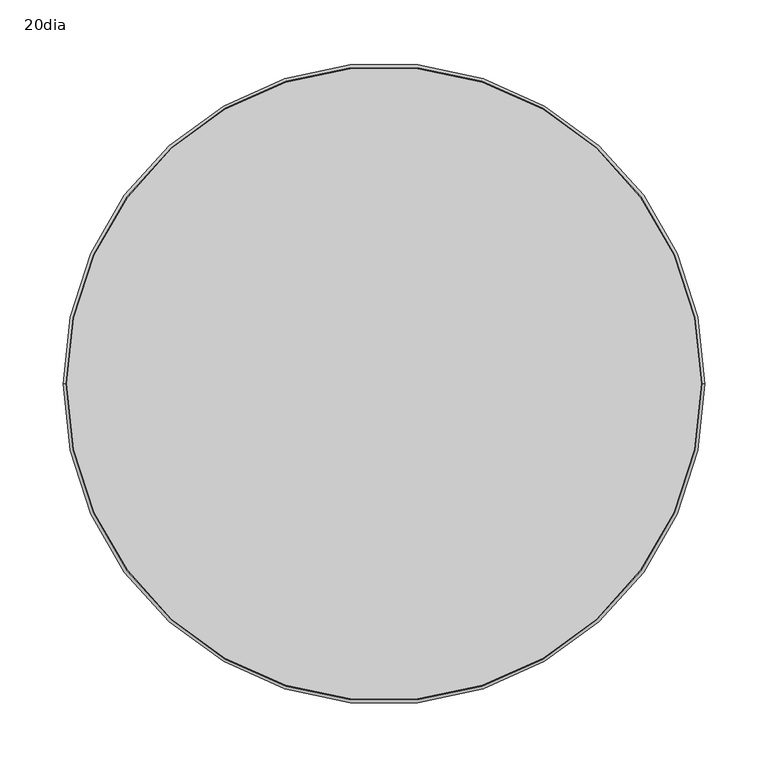
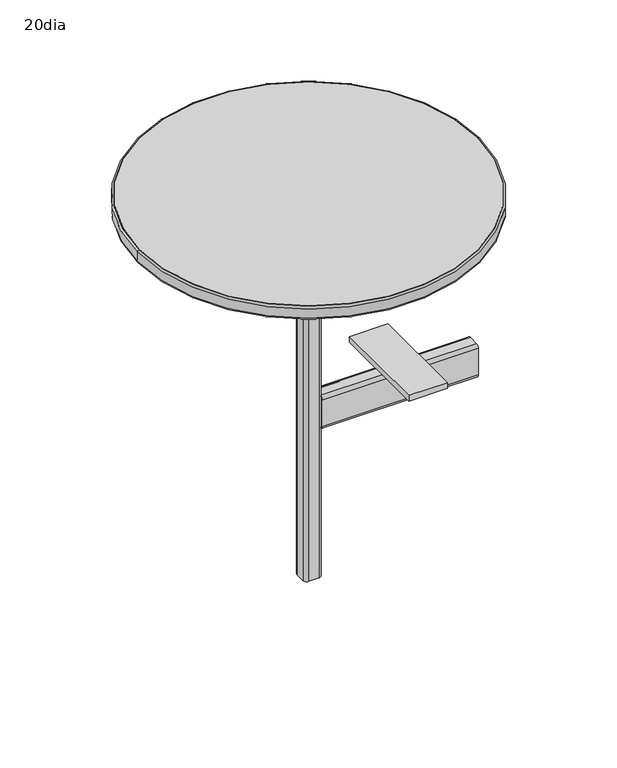
"""IFC4 building model written with IfcOpenShell, lengths in millimetres: furniture geometry, 20dia."""

from ifc_helpers import new_model, si_unit, point, frame, frame_2d, origin, place, context, project, spatial, polyline, circle_curve, ellipse_curve, trimmed, segment, composite_curve, outline, extrude, source, transform, mapped, element, save
from ifc_brep_helpers import plane_surface, cylinder_surface, revolved_surface, advanced_brep


def furniture_20dia_599f3570(model_context):
    return source(origin(), model_context, "Body", "SolidModel", [
        extrude(outline(polyline([(415.9369179, -177.7985466), (415.9369179, -330.198377), (358.7869905, -330.198377), (358.7869905, -177.7985466), (415.9369179, -177.7985466)])), frame((0.0, 0.0, 295.7108746), z_axis=(0.0, 0.0, 1.0), x_axis=(1.0, 0.0, 0.0)), (0.0, 0.0, 1.0), 9.0891254),
        extrude(outline(composite_curve([segment(trimmed(circle_curve(frame_2d((-245.8642477, 291.145125)), 4.5657496), [point((-245.8642477, 295.7108746))], [point((-241.2984982, 291.145125))], False, "CARTESIAN"), True, "CONTINUOUS"), segment(polyline([(-241.2984982, 291.145125), (-241.2984982, 249.4828746)]), True, "CONTINUOUS"), segment(trimmed(circle_curve(frame_2d((-245.8704982, 249.4828746)), 4.572), [point((-241.2984982, 249.4828746))], [point((-245.8704982, 244.9108746))], False, "CARTESIAN"), True, "CONTINUOUS"), segment(polyline([(-245.8704982, 244.9108746), (-262.1264739, 244.9108746)]), True, "CONTINUOUS"), segment(trimmed(circle_curve(frame_2d((-262.1264739, 249.4828746)), 4.572), [point((-262.1264739, 244.9108746))], [point((-266.6984739, 249.4828746))], False, "CARTESIAN"), True, "CONTINUOUS"), segment(polyline([(-266.6984739, 249.4828746), (-266.6984739, 291.1388746)]), True, "CONTINUOUS"), segment(trimmed(circle_curve(frame_2d((-262.1264739, 291.1388746)), 4.572), [point((-266.6984739, 291.1388746))], [point((-262.1264739, 295.7108746))], False, "CARTESIAN"), True, "CONTINUOUS"), segment(polyline([(-262.1264739, 295.7108746), (-245.8642477, 295.7108746)]), True, "CONTINUOUS")], self_intersect=False), holes=[composite_curve([segment(trimmed(circle_curve(frame_2d((-262.3205046, 291.3334382)), 2.2692075), [point((-262.3205046, 293.6026457))], [point((-264.5897121, 291.3334382))], True, "CARTESIAN"), True, "CONTINUOUS"), segment(polyline([(-264.5897121, 291.3334382), (-264.5897121, 249.3718801)]), True, "CONTINUOUS"), segment(trimmed(circle_curve(frame_2d((-262.2370808, 249.3718801)), 2.3526314), [point((-264.5897121, 249.3718801))], [point((-262.2370808, 247.0192488))], True, "CARTESIAN"), True, "CONTINUOUS"), segment(polyline([(-262.2370808, 247.0192488), (-245.6129936, 247.0192488)]), True, "CONTINUOUS"), segment(trimmed(circle_curve(frame_2d((-245.6129936, 249.2250067)), 2.2057579), [point((-245.6129936, 247.0192488))], [point((-243.4072357, 249.2250067))], True, "CARTESIAN"), True, "CONTINUOUS"), segment(polyline([(-243.4072357, 249.2250067), (-243.4072357, 291.1954717)]), True, "CONTINUOUS"), segment(trimmed(circle_curve(frame_2d((-245.8144097, 291.1954717)), 2.407174), [point((-243.4072357, 291.1954717))], [point((-245.8144097, 293.6026457))], True, "CARTESIAN"), True, "CONTINUOUS"), segment(polyline([(-245.8144097, 293.6026457), (-262.3205046, 293.6026457)]), True, "CONTINUOUS")], self_intersect=False)]), frame((266.7120874, 0.0, 0.0), z_axis=(1.0, 0.0, 0.0), x_axis=(0.0, 1.0, 0.0)), (0.0, 0.0, 1.0), 231.7747335),
        extrude(outline(composite_curve([segment(trimmed(circle_curve(frame_2d((254.0, -254.0)), 88.9), [point((165.1, -254.0))], [point((342.9, -254.0))], False, "CARTESIAN"), True, "CONTINUOUS"), segment(trimmed(circle_curve(frame_2d((254.0, -254.0)), 88.9), [point((342.9, -254.0))], [point((165.1, -254.0))], False, "CARTESIAN"), True, "CONTINUOUS")], self_intersect=False)), frame((0.0, 0.0, 588.0648319), z_axis=(0.0, 0.0, 1.0), x_axis=(1.0, 0.0, 0.0)), (0.0, 0.0, 1.0), 3.02696),
        extrude(outline(composite_curve([segment(polyline([(246.3921359, -241.2984739), (261.6320874, -241.2984739)]), True, "CONTINUOUS"), segment(trimmed(circle_curve(frame_2d((261.6320874, -246.3784739)), 5.08), [point((261.6320874, -241.2984739))], [point((266.7120874, -246.3784739))], False, "CARTESIAN"), True, "CONTINUOUS"), segment(polyline([(266.7120874, -246.3784739), (266.7120874, -261.7262697)]), True, "CONTINUOUS"), segment(trimmed(circle_curve(frame_2d((261.7399317, -261.7262697)), 4.9721558), [point((266.7120874, -261.7262697))], [point((261.7399317, -266.6984255))], False, "CARTESIAN"), True, "CONTINUOUS"), segment(polyline([(261.7399317, -266.6984255), (246.3921359, -266.6984255)]), True, "CONTINUOUS"), segment(trimmed(circle_curve(frame_2d((246.3921359, -261.6184255)), 5.08), [point((246.3921359, -266.6984255))], [point((241.3121359, -261.6184255))], False, "CARTESIAN"), True, "CONTINUOUS"), segment(polyline([(241.3121359, -261.6184255), (241.3121359, -246.3784739)]), True, "CONTINUOUS"), segment(trimmed(circle_curve(frame_2d((246.3921359, -246.3784739)), 5.08), [point((241.3121359, -246.3784739))], [point((246.3921359, -241.2984739))], False, "CARTESIAN"), True, "CONTINUOUS")], self_intersect=False)), frame((0.0, 0.0, 14.0247041), z_axis=(0.0, 0.0, 1.0), x_axis=(1.0, 0.0, 0.0)), (0.0, 0.0, 1.0), 574.0401278),
        advanced_brep(
        [(507.9628899, -254.0, 594.0615476), (0.0007994, -254.0, 594.0615476), (2.1007439, -254.0, 591.0917919), (505.8629454, -254.0, 591.0917919), (507.9628899, -254.0, 608.5920076), (0.0007994, -254.0, 608.5920076), (505.8629696, -254.0, 611.5617876), (2.1007196, -254.0, 611.5617876), (504.9637028, -254.0, 591.0917919), (2.9999865, -254.0, 591.0917919), (2.9999865, -254.0, 611.5617876), (504.9637028, -254.0, 611.5617876)],
        [
            (0, 1, circle_curve(frame((253.9818446, -254.0, 594.0615476), z_axis=(0.0, 0.0, -1.0), x_axis=(-1.0, 0.0, 0.0)), 253.9810452)),
            (1, 2, circle_curve(frame((3.150696, -254.0, 594.0615476), z_axis=(0.0, -1.0, 0.0), x_axis=(1.0, 0.0, 0.0)), 3.1498966)),
            (2, 3, circle_curve(frame((253.9818446, -254.0, 591.0917919), z_axis=(0.0, 0.0, 1.0), x_axis=(-1.0, 0.0, 0.0)), 251.8811008)),
            (3, 0, circle_curve(frame((504.8129933, -254.0, 594.0615476), z_axis=(0.0, -1.0, 0.0), x_axis=(-1.0, 0.0, 0.0)), 3.1498966)),
            (4, 5, circle_curve(frame((253.9818446, -254.0, 608.5920076), z_axis=(0.0, 0.0, -1.0), x_axis=(-1.0, 0.0, 0.0)), 253.9810452)),
            (5, 1),
            (0, 4),
            (6, 7, circle_curve(frame((253.9818446, -254.0, 611.5617876), z_axis=(0.0, 0.0, -1.0), x_axis=(-1.0, 0.0, 0.0)), 251.881125)),
            (7, 5, circle_curve(frame((3.1507423, -254.0, 608.5920076), z_axis=(0.0, -1.0, 0.0), x_axis=(1.0, 0.0, 0.0)), 3.149943)),
            (4, 6, circle_curve(frame((504.8129469, -254.0, 608.5920076), z_axis=(0.0, -1.0, 0.0), x_axis=(-1.0, 0.0, 0.0)), 3.149943)),
            (8, 9, circle_curve(frame((253.9818446, -254.0, 591.0917919), z_axis=(0.0, 0.0, -1.0), x_axis=(-1.0, 0.0, 0.0)), 250.9818582)),
            (9, 10),
            (10, 11, circle_curve(frame((253.9818446, -254.0, 611.5617876), z_axis=(0.0, 0.0, 1.0), x_axis=(-1.0, 0.0, 0.0)), 250.9818582)),
            (11, 8),
            (2, 3, circle_curve(frame((253.9818446, -254.0, 591.0917919), z_axis=(0.0, 0.0, -1.0), x_axis=(1.0, 0.0, 0.0)), 251.8811008)),
            (8, 9, circle_curve(frame((253.9818446, -254.0, 591.0917919), z_axis=(0.0, 0.0, 1.0), x_axis=(1.0, 0.0, 0.0)), 250.9818582)),
            (1, 0, circle_curve(frame((253.9818446, -254.0, 594.0615476), z_axis=(0.0, 0.0, -1.0), x_axis=(1.0, 0.0, 0.0)), 253.9810452)),
            (5, 4, circle_curve(frame((253.9818446, -254.0, 608.5920076), z_axis=(0.0, 0.0, -1.0), x_axis=(1.0, 0.0, 0.0)), 253.9810452)),
            (7, 6, circle_curve(frame((253.9818446, -254.0, 611.5617876), z_axis=(0.0, 0.0, -1.0), x_axis=(1.0, 0.0, 0.0)), 251.881125)),
            (10, 11, circle_curve(frame((253.9818446, -254.0, 611.5617876), z_axis=(0.0, 0.0, -1.0), x_axis=(1.0, 0.0, 0.0)), 250.9818582)),
        ],
        [
            revolved_surface(trimmed(ellipse_curve(frame((3.150696, -254.0, 594.0615476), z_axis=(0.0, 1.0, 0.0), x_axis=(1.0, 0.0, 0.0)), 3.1498966, 3.1498966), [point((2.1007439, -254.0, 591.0917919))], [point((0.0007994, -254.0, 594.0615476))], True, "CARTESIAN"), (253.9818446, -254.0, 0.0), (0.0, 0.0, 1.0)),
            cylinder_surface(frame((253.9818446, -254.0, 0.0), z_axis=(0.0, 0.0, 1.0), x_axis=(-1.0, 0.0, 0.0)), 253.9810452),
            revolved_surface(trimmed(ellipse_curve(frame((3.1507423, -254.0, 608.5920076), z_axis=(0.0, 1.0, 0.0), x_axis=(1.0, 0.0, 0.0)), 3.149943, 3.149943), [point((0.0007994, -254.0, 608.5920076))], [point((2.1007196, -254.0, 611.5617876))], True, "CARTESIAN"), (253.9818446, -254.0, 0.0), (0.0, 0.0, 1.0)),
            revolved_surface(polyline([(2.999986399999983, -254.0, 611.5617876), (2.999986399999983, -254.0, 591.0917919)]), (253.9818446, -254.0, 0.0), (0.0, 0.0, 1.0)),
            plane_surface(frame((253.9818446, -254.0, 591.0917919), z_axis=(0.0, 0.0, -1.0), x_axis=(1.0, 0.0, 0.0))),
            revolved_surface(trimmed(ellipse_curve(frame((504.8129933, -254.0, 594.0615476), z_axis=(0.0, -1.0, 0.0), x_axis=(-1.0, 0.0, 0.0)), 3.1498966, 3.1498966), [point((505.8629454, -254.0, 591.0917919))], [point((507.9628899, -254.0, 594.0615476))], True, "CARTESIAN"), (253.9818446, -254.0, 0.0), (0.0, 0.0, 1.0)),
            cylinder_surface(frame((253.9818446, -254.0, 0.0), z_axis=(0.0, 0.0, 1.0), x_axis=(1.0, 0.0, 0.0)), 253.9810452),
            revolved_surface(trimmed(ellipse_curve(frame((504.8129469, -254.0, 608.5920076), z_axis=(0.0, -1.0, 0.0), x_axis=(-1.0, 0.0, 0.0)), 3.149943, 3.149943), [point((507.9628899, -254.0, 608.5920076))], [point((505.8629696, -254.0, 611.5617876))], True, "CARTESIAN"), (253.9818446, -254.0, 0.0), (0.0, 0.0, 1.0)),
            plane_surface(frame((253.9818446, -254.0, 611.5617876), z_axis=(0.0, 0.0, 1.0), x_axis=(1.0, 0.0, 0.0))),
            revolved_surface(polyline([(504.96370279999996, -254.0, 611.5617876), (504.96370279999996, -254.0, 591.0917919)]), (253.9818446, -254.0, 0.0), (0.0, 0.0, 1.0)),
        ],
        [
            (0, [[1, 2, 3, 4]]),
            (1, [[5, 6, -1, 7]]),
            (2, [[8, 9, -5, 10]]),
            (3, [[11, 12, 13, 14]]),
            (4, [[15, -3], [16, -11]]),
            (5, [[17, -4, -15, -2]]),
            (6, [[18, -7, -17, -6]]),
            (7, [[19, -10, -18, -9]]),
            (8, [[-19, -8], [20, -13]]),
            (9, [[-16, -14, -20, -12]]),
        ],
    ),
        extrude(outline(composite_curve([segment(trimmed(circle_curve(frame_2d((253.9818446, -254.0)), 250.9818582), [point((2.9999865, -254.0))], [point((504.9637028, -254.0))], False, "CARTESIAN"), True, "CONTINUOUS"), segment(trimmed(circle_curve(frame_2d((253.9818446, -254.0)), 250.9818582), [point((504.9637028, -254.0))], [point((2.9999865, -254.0))], False, "CARTESIAN"), True, "CONTINUOUS")], self_intersect=False)), frame((0.0, 0.0, 591.0917919), z_axis=(0.0, 0.0, 1.0), x_axis=(1.0, 0.0, 0.0)), (0.0, 0.0, 1.0), 20.4699957),
    ])


if __name__ == "__main__":
    model = new_model("IFC4")
    model_context = context("Model", 3, world=origin())
    ifc_project = project(units=[si_unit("LENGTHUNIT", "METRE", prefix="MILLI")], contexts=[model_context])
    site = spatial("IfcSite", under=ifc_project)
    building = spatial("IfcBuilding", under=site)
    placement = place(None, origin())
    furniture_20dia_shape = furniture_20dia_599f3570(model_context)
    element("IfcFurniture", 1, ObjectType="20dia", at=placement, inside=building, context=model_context, shape_type="MappedRepresentation", body=[
        mapped(furniture_20dia_shape, transform((0.0, 0.0, 0.0), x_axis=(1.0, 0.0, 0.0), y_axis=(0.0, 1.0, 0.0), z_axis=(0.0, 0.0, 1.0))),
    ])
    save(model, "model.ifc")
